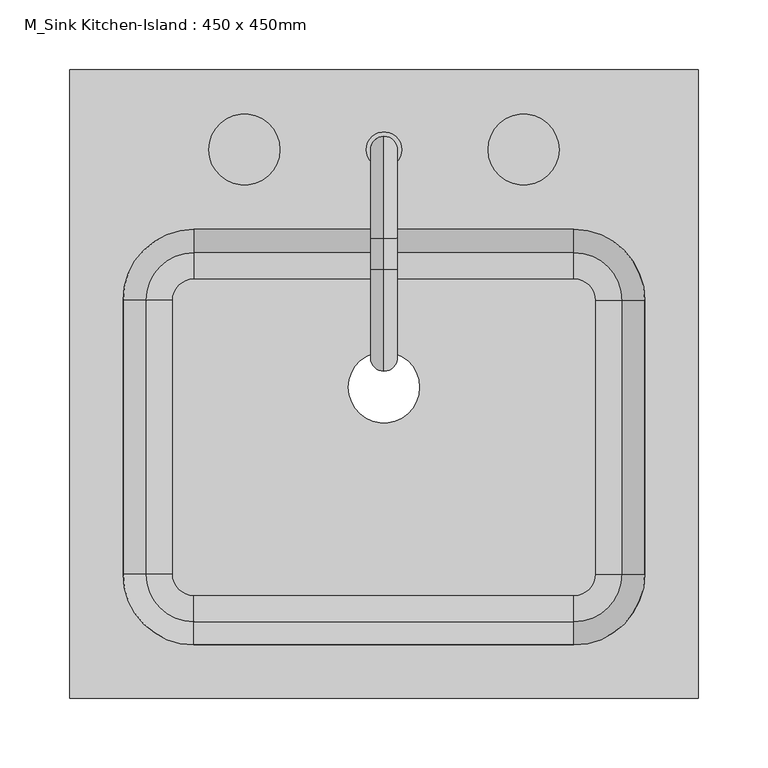
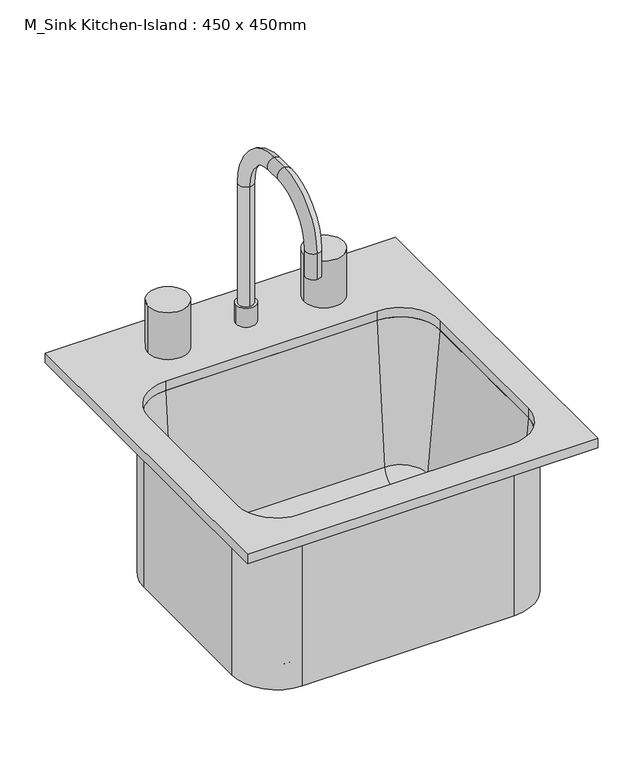
"""IFC4 building model written with IfcOpenShell, lengths in millimetres: flow terminal geometry, M_Sink Kitchen-Island : 450 x 450mm."""

from ifc_helpers import new_model, si_unit, point, frame, frame_2d, origin, place, context, project, spatial, polyline, circle_curve, ellipse_curve, trimmed, segment, composite_curve, outline, extrude, source, transform, mapped, element, save
from ifc_brep_helpers import plane_surface, cylinder_surface, revolved_surface, advanced_brep


def m_sink_kitchen_island_450_x_450mm_f969cf2d(model_context):
    return source(origin(), model_context, "Body", "SolidModel", [
        advanced_brep(
        [(208.9392406, 62.2454011, 684.1), (151.7892406, 119.3954011, 684.1), (151.7892406, 119.3954011, 900.0), (208.9392406, 62.2454011, 900.0), (208.9392406, -133.7545989, 684.1), (151.7892406, -190.9045989, 684.1), (-120.4107594, -190.9045989, 684.1), (-177.5607594, -133.7545989, 684.1), (-177.5607594, 62.2454011, 684.1), (-120.4107594, 119.3954011, 684.1), (-9.7107594, 0.0, 684.1), (41.0892406, 0.0, 684.1), (167.0776588, 62.2454011, 693.625), (151.7892406, 77.5338193, 693.625), (-120.4107594, 77.5338193, 693.625), (-135.6991776, 62.2454011, 693.625), (-135.6991776, -133.7545989, 693.625), (-120.4107594, -149.0430171, 693.625), (151.7892406, -149.0430171, 693.625), (167.0776588, -133.7545989, 693.625), (-9.7107594, 0.0, 693.625), (41.0892406, 0.0, 693.625), (186.0551678, 62.2454011, 711.0146831), (151.7892406, 96.5113283, 711.0146831), (202.5892406, 62.2454011, 900.0), (151.7892406, 113.0454011, 900.0), (208.9392406, -133.7545989, 900.0), (186.0551678, -133.7545989, 711.0146831), (202.5892406, -133.7545989, 900.0), (151.7892406, -190.9045989, 900.0), (151.7892406, -168.0205261, 711.0146831), (151.7892406, -184.5545989, 900.0), (-120.4107594, -190.9045989, 900.0), (-120.4107594, -168.0205261, 711.0146831), (-120.4107594, -184.5545989, 900.0), (-177.5607594, -133.7545989, 900.0), (-154.6766866, -133.7545989, 711.0146831), (-171.2107594, -133.7545989, 900.0), (-177.5607594, 62.2454011, 900.0), (-154.6766866, 62.2454011, 711.0146831), (-171.2107594, 62.2454011, 900.0), (-120.4107594, 119.3954011, 900.0), (-120.4107594, 96.5113283, 711.0146831), (-120.4107594, 113.0454011, 900.0)],
        [
            (0, 1, circle_curve(frame((151.7892406, 62.2454011, 684.1), z_axis=(0.0, 0.0, 1.0), x_axis=(0.0, 1.0, 0.0)), 57.15)),
            (1, 2),
            (2, 3, circle_curve(frame((151.7892406, 62.2454011, 900.0), z_axis=(0.0, 0.0, -1.0), x_axis=(0.0, 1.0, 0.0)), 57.15)),
            (3, 0),
            (0, 4),
            (4, 5, circle_curve(frame((151.7892406, -133.7545989, 684.1), z_axis=(0.0, 0.0, -1.0), x_axis=(1.0, 0.0, 0.0)), 57.15)),
            (5, 6),
            (6, 7, circle_curve(frame((-120.4107594, -133.7545989, 684.1), z_axis=(0.0, 0.0, -1.0), x_axis=(0.0, -1.0, 0.0)), 57.15)),
            (7, 8),
            (8, 9, circle_curve(frame((-120.4107594, 62.2454011, 684.1), z_axis=(0.0, 0.0, -1.0), x_axis=(-1.0, 0.0, 0.0)), 57.15)),
            (9, 1),
            (10, 11, circle_curve(frame((15.6892406, 0.0, 684.1), z_axis=(0.0, 0.0, 1.0), x_axis=(1.0, 0.0, 0.0)), 25.4)),
            (11, 10, circle_curve(frame((15.6892406, 0.0, 684.1), z_axis=(0.0, 0.0, 1.0), x_axis=(1.0, 0.0, 0.0)), 25.4)),
            (12, 13, circle_curve(frame((151.7892406, 62.2454011, 693.625), z_axis=(0.0, 0.0, 1.0), x_axis=(0.0, 1.0, 0.0)), 15.2884182)),
            (13, 14),
            (14, 15, circle_curve(frame((-120.4107594, 62.2454011, 693.625), z_axis=(0.0, 0.0, 1.0), x_axis=(-1.0, 0.0, 0.0)), 15.2884182)),
            (15, 16),
            (16, 17, circle_curve(frame((-120.4107594, -133.7545989, 693.625), z_axis=(0.0, 0.0, 1.0), x_axis=(0.0, -1.0, 0.0)), 15.2884182)),
            (17, 18),
            (18, 19, circle_curve(frame((151.7892406, -133.7545989, 693.625), z_axis=(0.0, 0.0, 1.0), x_axis=(1.0, 0.0, 0.0)), 15.2884182)),
            (19, 12),
            (20, 21, circle_curve(frame((15.6892406, 0.0, 693.625), z_axis=(0.0, 0.0, -1.0), x_axis=(1.0, 0.0, 0.0)), 25.4)),
            (21, 20, circle_curve(frame((15.6892406, 0.0, 693.625), z_axis=(0.0, 0.0, -1.0), x_axis=(1.0, 0.0, 0.0)), 25.4)),
            (12, 22, circle_curve(frame((167.0776588, 62.2454011, 712.675), z_axis=(0.0, -1.0, 0.0), x_axis=(1.0, 0.0, 0.0)), 19.05)),
            (22, 23, circle_curve(frame((151.7892406, 62.2454011, 711.0146831), z_axis=(0.0, 0.0, 1.0), x_axis=(0.0, 1.0, 0.0)), 34.2659272)),
            (23, 13, circle_curve(frame((151.7892406, 77.5338193, 712.675), z_axis=(-1.0, 0.0, 0.0), x_axis=(0.0, 1.0, 0.0)), 19.05)),
            (22, 24),
            (24, 25, circle_curve(frame((151.7892406, 62.2454011, 900.0), z_axis=(0.0, 0.0, 1.0), x_axis=(0.0, 1.0, 0.0)), 50.8)),
            (25, 23),
            (2, 25),
            (24, 3),
            (3, 26),
            (26, 4),
            (19, 27, circle_curve(frame((167.0776588, -133.7545989, 712.675), z_axis=(0.0, -1.0, 0.0), x_axis=(1.0, 0.0, 0.0)), 19.05)),
            (27, 22),
            (27, 28),
            (28, 24),
            (28, 26),
            (26, 29, circle_curve(frame((151.7892406, -133.7545989, 900.0), z_axis=(0.0, 0.0, -1.0), x_axis=(1.0, 0.0, 0.0)), 57.15)),
            (29, 5),
            (18, 30, circle_curve(frame((151.7892406, -149.0430171, 712.675), z_axis=(-1.0, 0.0, 0.0), x_axis=(0.0, -1.0, 0.0)), 19.05)),
            (30, 27, circle_curve(frame((151.7892406, -133.7545989, 711.0146831), z_axis=(0.0, 0.0, 1.0), x_axis=(1.0, 0.0, 0.0)), 34.2659272)),
            (30, 31),
            (31, 28, circle_curve(frame((151.7892406, -133.7545989, 900.0), z_axis=(0.0, 0.0, 1.0), x_axis=(1.0, 0.0, 0.0)), 50.8)),
            (31, 29),
            (29, 32),
            (32, 6),
            (17, 33, circle_curve(frame((-120.4107594, -149.0430171, 712.675), z_axis=(-1.0, 0.0, 0.0), x_axis=(0.0, -1.0, 0.0)), 19.05)),
            (33, 30),
            (33, 34),
            (34, 31),
            (34, 32),
            (32, 35, circle_curve(frame((-120.4107594, -133.7545989, 900.0), z_axis=(0.0, 0.0, -1.0), x_axis=(0.0, -1.0, 0.0)), 57.15)),
            (35, 7),
            (16, 36, circle_curve(frame((-135.6991776, -133.7545989, 712.675), z_axis=(0.0, 1.0, 0.0), x_axis=(-1.0, 0.0, 0.0)), 19.05)),
            (36, 33, circle_curve(frame((-120.4107594, -133.7545989, 711.0146831), z_axis=(0.0, 0.0, 1.0), x_axis=(0.0, -1.0, 0.0)), 34.2659272)),
            (36, 37),
            (37, 34, circle_curve(frame((-120.4107594, -133.7545989, 900.0), z_axis=(0.0, 0.0, 1.0), x_axis=(0.0, -1.0, 0.0)), 50.8)),
            (37, 35),
            (35, 38),
            (38, 8),
            (15, 39, circle_curve(frame((-135.6991776, 62.2454011, 712.675), z_axis=(0.0, 1.0, 0.0), x_axis=(-1.0, 0.0, 0.0)), 19.05)),
            (39, 36),
            (39, 40),
            (40, 37),
            (40, 38),
            (38, 41, circle_curve(frame((-120.4107594, 62.2454011, 900.0), z_axis=(0.0, 0.0, -1.0), x_axis=(-1.0, 0.0, 0.0)), 57.15)),
            (41, 9),
            (14, 42, circle_curve(frame((-120.4107594, 77.5338193, 712.675), z_axis=(1.0, 0.0, 0.0), x_axis=(0.0, 1.0, 0.0)), 19.05)),
            (42, 39, circle_curve(frame((-120.4107594, 62.2454011, 711.0146831), z_axis=(0.0, 0.0, 1.0), x_axis=(-1.0, 0.0, 0.0)), 34.2659272)),
            (42, 43),
            (43, 40, circle_curve(frame((-120.4107594, 62.2454011, 900.0), z_axis=(0.0, 0.0, 1.0), x_axis=(-1.0, 0.0, 0.0)), 50.8)),
            (43, 41),
            (41, 2),
            (23, 42),
            (25, 43),
            (20, 10),
            (11, 21),
        ],
        [
            cylinder_surface(frame((151.7892406, 62.2454011, 0.0), z_axis=(0.0, 0.0, -1.0), x_axis=(0.0, 1.0, 0.0)), 57.15),
            plane_surface(frame((151.7892406, 62.2454011, 684.1), z_axis=(0.0, 0.0, -1.0), x_axis=(0.0, 1.0, 0.0))),
            plane_surface(frame((151.7892406, 62.2454011, 693.625), z_axis=(0.0, 0.0, 1.0), x_axis=(0.0, 1.0, 0.0))),
            revolved_surface(trimmed(ellipse_curve(frame((151.7892406, 77.5338193, 712.675), z_axis=(1.0, 0.0, 0.0), x_axis=(0.0, 1.0, 0.0)), 19.05, 19.05), [point((151.7892406, 77.5338193, 693.625))], [point((151.7892406, 96.5113283, 711.0146831))], True, "CARTESIAN"), (151.7892406, 62.2454011, 0.0), (0.0, 0.0, -1.0)),
            revolved_surface(polyline([(151.7892406, 96.5113283, 711.0146831), (151.7892406, 113.0454011, 900.0)]), (151.7892406, 62.2454011, 0.0), (0.0, 0.0, -1.0)),
            plane_surface(frame((151.7892406, 62.2454011, 900.0), z_axis=(0.0, 0.0, 1.0), x_axis=(0.0, 1.0, 0.0))),
            plane_surface(frame((208.9392406, 62.2454011, 900.0), z_axis=(1.0, 0.0, 0.0), x_axis=(0.0, -1.0, 0.0))),
            revolved_surface(polyline([(186.1276588, -133.7545989, 712.675), (186.1276588, 62.2454011, 712.675)]), (167.0776588, 62.2454011, 712.675), (0.0, -1.0, 0.0)),
            plane_surface(frame((186.0551678, 62.2454011, 711.0146831), z_axis=(-0.9961946980917444, 0.0, 0.0871557427476718), x_axis=(0.0, -1.0, 0.0))),
            plane_surface(frame((202.5892406, 62.2454011, 900.0), z_axis=(0.0, 0.0, 1.0), x_axis=(0.0, -1.0, 0.0))),
            cylinder_surface(frame((151.7892406, -133.7545989, 0.0), z_axis=(0.0, 0.0, -1.0), x_axis=(1.0, 0.0, 0.0)), 57.15),
            revolved_surface(trimmed(ellipse_curve(frame((167.0776588, -133.7545989, 712.675), z_axis=(0.0, -1.0, 0.0), x_axis=(1.0, 0.0, 0.0)), 19.05, 19.05), [point((167.0776588, -133.7545989, 693.625))], [point((186.0551678, -133.7545989, 711.0146831))], True, "CARTESIAN"), (151.7892406, -133.7545989, 0.0), (0.0, 0.0, -1.0)),
            revolved_surface(polyline([(186.0551678, -133.7545989, 711.0146831), (202.5892406, -133.7545989, 900.0)]), (151.7892406, -133.7545989, 0.0), (0.0, 0.0, -1.0)),
            plane_surface(frame((151.7892406, -133.7545989, 900.0), z_axis=(0.0, 0.0, 1.0), x_axis=(1.0, 0.0, 0.0))),
            plane_surface(frame((151.7892406, -190.9045989, 900.0), z_axis=(0.0, -1.0, 0.0), x_axis=(-1.0, 0.0, 0.0))),
            revolved_surface(polyline([(-120.41075939999999, -168.0930171, 712.675), (151.7892406, -168.0930171, 712.675)]), (151.7892406, -149.0430171, 712.675), (-1.0, 0.0, 0.0)),
            plane_surface(frame((151.7892406, -168.0205261, 711.0146831), z_axis=(0.0, 0.9961946980917444, 0.0871557427476718), x_axis=(-1.0, 0.0, 0.0))),
            plane_surface(frame((151.7892406, -184.5545989, 900.0), z_axis=(0.0, 0.0, 1.0), x_axis=(-1.0, 0.0, 0.0))),
            cylinder_surface(frame((-120.4107594, -133.7545989, 0.0), z_axis=(0.0, 0.0, -1.0), x_axis=(0.0, -1.0, 0.0)), 57.15),
            revolved_surface(trimmed(ellipse_curve(frame((-120.4107594, -149.0430171, 712.675), z_axis=(-1.0, 0.0, 0.0), x_axis=(0.0, -1.0, 0.0)), 19.05, 19.05), [point((-120.4107594, -149.0430171, 693.625))], [point((-120.4107594, -168.0205261, 711.0146831))], True, "CARTESIAN"), (-120.4107594, -133.7545989, 0.0), (0.0, 0.0, -1.0)),
            revolved_surface(polyline([(-120.4107594, -168.0205261, 711.0146831), (-120.4107594, -184.5545989, 900.0)]), (-120.4107594, -133.7545989, 0.0), (0.0, 0.0, -1.0)),
            plane_surface(frame((-120.4107594, -133.7545989, 900.0), z_axis=(0.0, 0.0, 1.0), x_axis=(0.0, -1.0, 0.0))),
            plane_surface(frame((-177.5607594, -133.7545989, 900.0), z_axis=(-1.0, 0.0, 0.0), x_axis=(0.0, 1.0, 0.0))),
            revolved_surface(polyline([(-154.74917760000002, 62.24540110000001, 712.675), (-154.74917760000002, -133.7545989, 712.675)]), (-135.6991776, -133.7545989, 712.675), (0.0, 1.0, 0.0)),
            plane_surface(frame((-154.6766866, -133.7545989, 711.0146831), z_axis=(0.9961946980917444, 0.0, 0.0871557427476718), x_axis=(0.0, 1.0, 0.0))),
            plane_surface(frame((-171.2107594, -133.7545989, 900.0), z_axis=(0.0, 0.0, 1.0), x_axis=(0.0, 1.0, 0.0))),
            cylinder_surface(frame((-120.4107594, 62.2454011, 0.0), z_axis=(0.0, 0.0, -1.0), x_axis=(-1.0, 0.0, 0.0)), 57.15),
            revolved_surface(trimmed(ellipse_curve(frame((-135.6991776, 62.2454011, 712.675), z_axis=(0.0, 1.0, 0.0), x_axis=(-1.0, 0.0, 0.0)), 19.05, 19.05), [point((-135.6991776, 62.2454011, 693.625))], [point((-154.6766866, 62.2454011, 711.0146831))], True, "CARTESIAN"), (-120.4107594, 62.2454011, 0.0), (0.0, 0.0, -1.0)),
            revolved_surface(polyline([(-154.6766866, 62.2454011, 711.0146831), (-171.2107594, 62.2454011, 900.0)]), (-120.4107594, 62.2454011, 0.0), (0.0, 0.0, -1.0)),
            plane_surface(frame((-120.4107594, 62.2454011, 900.0), z_axis=(0.0, 0.0, 1.0), x_axis=(-1.0, 0.0, 0.0))),
            plane_surface(frame((-120.4107594, 119.3954011, 900.0), z_axis=(0.0, 1.0, 0.0), x_axis=(1.0, 0.0, 0.0))),
            revolved_surface(polyline([(151.78924059999997, 96.5838193, 712.675), (-120.4107594, 96.5838193, 712.675)]), (-120.4107594, 77.5338193, 712.675), (1.0, 0.0, 0.0)),
            plane_surface(frame((-120.4107594, 96.5113283, 711.0146831), z_axis=(0.0, -0.9961946980917444, 0.0871557427476718), x_axis=(1.0, 0.0, 0.0))),
            plane_surface(frame((-120.4107594, 113.0454011, 900.0), z_axis=(0.0, 0.0, 1.0), x_axis=(1.0, 0.0, 0.0))),
            revolved_surface(polyline([(41.0892406, 0.0, 684.1), (41.0892406, 0.0, 693.625)]), (15.6892406, 0.0, 0.0), (0.0, 0.0, -1.0)),
        ],
        [
            (0, [[1, 2, 3, 4]]),
            (1, [[-1, 5, 6, 7, 8, 9, 10, 11], [12, 13]]),
            (2, [[14, 15, 16, 17, 18, 19, 20, 21], [22, 23]]),
            (3, [[-14, 24, 25, 26]]),
            (4, [[-25, 27, 28, 29]]),
            (5, [[-3, 30, -28, 31]]),
            (6, [[-4, 32, 33, -5]]),
            (7, [[-24, -21, 34, 35]]),
            (8, [[-27, -35, 36, 37]]),
            (9, [[-31, -37, 38, -32]]),
            (10, [[-33, 39, 40, -6]]),
            (11, [[-34, -20, 41, 42]]),
            (12, [[-36, -42, 43, 44]]),
            (13, [[-38, -44, 45, -39]]),
            (14, [[-40, 46, 47, -7]]),
            (15, [[-41, -19, 48, 49]]),
            (16, [[-43, -49, 50, 51]]),
            (17, [[-45, -51, 52, -46]]),
            (18, [[-47, 53, 54, -8]]),
            (19, [[-48, -18, 55, 56]]),
            (20, [[-50, -56, 57, 58]]),
            (21, [[-52, -58, 59, -53]]),
            (22, [[-54, 60, 61, -9]]),
            (23, [[-55, -17, 62, 63]]),
            (24, [[-57, -63, 64, 65]]),
            (25, [[-59, -65, 66, -60]]),
            (26, [[-61, 67, 68, -10]]),
            (27, [[-62, -16, 69, 70]]),
            (28, [[-64, -70, 71, 72]]),
            (29, [[-66, -72, 73, -67]]),
            (30, [[-2, -11, -68, 74]]),
            (31, [[-26, 75, -69, -15]]),
            (32, [[-29, 76, -71, -75]]),
            (33, [[-30, -74, -73, -76]]),
            (34, [[-22, 77, -13, 78]]),
            (34, [[-23, -78, -12, -77]]),
        ],
    ),
        advanced_brep(
        [(2.9892406, 170.1954011, 912.7), (28.3892406, 170.1954011, 912.7), (15.6892406, 179.7204011, 1100.025), (15.6892406, 160.6704011, 1100.025), (15.6892406, 160.6704011, 938.1), (15.6892406, 179.7204011, 938.1), (15.6892406, 106.6954011, 1173.05), (15.6892406, 106.6954011, 1154.0), (15.6892406, 84.4704011, 1173.05), (15.6892406, 84.4704011, 1154.0), (15.6892406, 11.4454011, 1100.025), (15.6892406, 30.4954011, 1100.025), (15.6892406, 11.4454011, 1065.1), (15.6892406, 30.4954011, 1065.1), (2.9892406, 170.1954011, 938.1), (28.3892406, 170.1954011, 938.1)],
        [
            (0, 1, circle_curve(frame((15.6892406, 170.1954011, 912.7), z_axis=(0.0, 0.0, -1.0), x_axis=(1.0, 0.0, 0.0)), 12.7)),
            (1, 0, circle_curve(frame((15.6892406, 170.1954011, 912.7), z_axis=(0.0, 0.0, -1.0), x_axis=(1.0, 0.0, 0.0)), 12.7)),
            (2, 3, circle_curve(frame((15.6892406, 170.1954011, 1100.025), z_axis=(0.0, 0.0, -1.0), x_axis=(0.0, -1.0, 0.0)), 9.525)),
            (3, 4),
            (4, 5, circle_curve(frame((15.6892406, 170.1954011, 938.1), z_axis=(0.0, 0.0, 1.0), x_axis=(0.0, -1.0, 0.0)), 9.525)),
            (5, 2),
            (3, 2, circle_curve(frame((15.6892406, 170.1954011, 1100.025), z_axis=(0.0, 0.0, -1.0), x_axis=(0.0, -1.0, 0.0)), 9.525)),
            (5, 4, circle_curve(frame((15.6892406, 170.1954011, 938.1), z_axis=(0.0, 0.0, 1.0), x_axis=(0.0, -1.0, 0.0)), 9.525)),
            (2, 6, circle_curve(frame((15.6892406, 106.6954011, 1100.025), z_axis=(1.0, 0.0, 0.0), x_axis=(0.0, 1.0, 0.0)), 73.025)),
            (6, 7, circle_curve(frame((15.6892406, 106.6954011, 1163.525), z_axis=(0.0, 1.0, 0.0), x_axis=(0.0, 0.0, -1.0)), 9.525)),
            (7, 3, circle_curve(frame((15.6892406, 106.6954011, 1100.025), z_axis=(-1.0, 0.0, 0.0), x_axis=(0.0, 1.0, 0.0)), 53.975)),
            (7, 6, circle_curve(frame((15.6892406, 106.6954011, 1163.525), z_axis=(0.0, 1.0, 0.0), x_axis=(0.0, 0.0, -1.0)), 9.525)),
            (6, 8),
            (8, 9, circle_curve(frame((15.6892406, 84.4704011, 1163.525), z_axis=(0.0, 1.0, 0.0), x_axis=(0.0, 0.0, -1.0)), 9.525)),
            (9, 7),
            (9, 8, circle_curve(frame((15.6892406, 84.4704011, 1163.525), z_axis=(0.0, 1.0, 0.0), x_axis=(0.0, 0.0, -1.0)), 9.525)),
            (8, 10, circle_curve(frame((15.6892406, 84.4704011, 1100.025), z_axis=(1.0, 0.0, 0.0), x_axis=(0.0, 0.0, 1.0)), 73.025)),
            (10, 11, circle_curve(frame((15.6892406, 20.9704011, 1100.025), z_axis=(0.0, 0.0, 1.0), x_axis=(0.0, 1.0, 0.0)), 9.525)),
            (11, 9, circle_curve(frame((15.6892406, 84.4704011, 1100.025), z_axis=(-1.0, 0.0, 0.0), x_axis=(0.0, 0.0, 1.0)), 53.975)),
            (11, 10, circle_curve(frame((15.6892406, 20.9704011, 1100.025), z_axis=(0.0, 0.0, 1.0), x_axis=(0.0, 1.0, 0.0)), 9.525)),
            (12, 13, circle_curve(frame((15.6892406, 20.9704011, 1065.1), z_axis=(0.0, 0.0, -1.0), x_axis=(0.0, 1.0, 0.0)), 9.525)),
            (13, 12, circle_curve(frame((15.6892406, 20.9704011, 1065.1), z_axis=(0.0, 0.0, -1.0), x_axis=(0.0, 1.0, 0.0)), 9.525)),
            (10, 12),
            (13, 11),
            (14, 15, circle_curve(frame((15.6892406, 170.1954011, 938.1), z_axis=(0.0, 0.0, 1.0), x_axis=(1.0, 0.0, 0.0)), 12.7)),
            (15, 14, circle_curve(frame((15.6892406, 170.1954011, 938.1), z_axis=(0.0, 0.0, 1.0), x_axis=(1.0, 0.0, 0.0)), 12.7)),
            (14, 0),
            (1, 15),
        ],
        [
            plane_surface(frame((15.6892406, 160.6704011, 912.7), z_axis=(0.0, 0.0, -1.0), x_axis=(1.0, 0.0, 0.0))),
            cylinder_surface(frame((15.6892406, 170.1954011, 912.7), z_axis=(0.0, 0.0, -1.0), x_axis=(0.0, -1.0, 0.0)), 9.525),
            revolved_surface(trimmed(ellipse_curve(frame((15.6892406, 170.1954011, 1100.025), z_axis=(0.0, 0.0, -1.0), x_axis=(0.0, -1.0, 0.0)), 9.525, 9.525), [point((15.6892406, 179.7204011, 1100.025))], [point((15.6892406, 160.6704011, 1100.025))], True, "CARTESIAN"), (15.6892406, 106.6954011, 1100.025), (1.0, 0.0, 0.0)),
            revolved_surface(trimmed(ellipse_curve(frame((15.6892406, 170.1954011, 1100.025), z_axis=(0.0, 0.0, -1.0), x_axis=(0.0, -1.0, 0.0)), 9.525, 9.525), [point((15.6892406, 160.6704011, 1100.025))], [point((15.6892406, 179.7204011, 1100.025))], True, "CARTESIAN"), (15.6892406, 106.6954011, 1100.025), (1.0, 0.0, 0.0)),
            cylinder_surface(frame((15.6892406, 106.6954011, 1163.525), z_axis=(0.0, 1.0, 0.0), x_axis=(0.0, 0.0, -1.0)), 9.525),
            revolved_surface(trimmed(ellipse_curve(frame((15.6892406, 84.4704011, 1163.525), z_axis=(0.0, 1.0, 0.0), x_axis=(0.0, 0.0, -1.0)), 9.525, 9.525), [point((15.6892406, 84.4704011, 1173.05))], [point((15.6892406, 84.4704011, 1154.0))], True, "CARTESIAN"), (15.6892406, 84.4704011, 1100.025), (1.0, 0.0, 0.0)),
            revolved_surface(trimmed(ellipse_curve(frame((15.6892406, 84.4704011, 1163.525), z_axis=(0.0, 1.0, 0.0), x_axis=(0.0, 0.0, -1.0)), 9.525, 9.525), [point((15.6892406, 84.4704011, 1154.0))], [point((15.6892406, 84.4704011, 1173.05))], True, "CARTESIAN"), (15.6892406, 84.4704011, 1100.025), (1.0, 0.0, 0.0)),
            plane_surface(frame((15.6892406, 11.4454011, 1065.1), z_axis=(0.0, 0.0, -1.0), x_axis=(-1.0, 0.0, 0.0))),
            cylinder_surface(frame((15.6892406, 20.9704011, 1100.025), z_axis=(0.0, 0.0, 1.0), x_axis=(0.0, 1.0, 0.0)), 9.525),
            plane_surface(frame((28.3892406, 170.1954011, 938.1), z_axis=(0.0, 0.0, 1.0), x_axis=(0.0, 1.0, 0.0))),
            cylinder_surface(frame((15.6892406, 170.1954011, 912.7), z_axis=(0.0, 0.0, 1.0), x_axis=(1.0, 0.0, 0.0)), 12.7),
        ],
        [
            (0, [[1, 2]]),
            (1, [[3, 4, 5, 6]]),
            (1, [[7, -6, 8, -4]]),
            (2, [[-3, 9, 10, 11]]),
            (3, [[-7, -11, 12, -9]]),
            (4, [[-10, 13, 14, 15]]),
            (4, [[-12, -15, 16, -13]]),
            (5, [[-14, 17, 18, 19]]),
            (6, [[-16, -19, 20, -17]]),
            (7, [[21, 22]]),
            (8, [[-18, 23, -22, 24]]),
            (8, [[-20, -24, -21, -23]]),
            (9, [[25, 26], [-5, -8]]),
            (10, [[-25, 27, -2, 28]]),
            (10, [[-26, -28, -1, -27]]),
        ],
    ),
        extrude(outline(composite_curve([segment(trimmed(circle_curve(frame_2d((-84.3107594, 170.1954011)), 25.4), [point((-109.7107594, 170.1954011))], [point((-58.9107594, 170.1954011))], False, "CARTESIAN"), True, "CONTINUOUS"), segment(trimmed(circle_curve(frame_2d((-84.3107594, 170.1954011)), 25.4), [point((-58.9107594, 170.1954011))], [point((-109.7107594, 170.1954011))], False, "CARTESIAN"), True, "CONTINUOUS")], self_intersect=False)), frame((0.0, 0.0, 912.7), z_axis=(0.0, 0.0, 1.0), x_axis=(1.0, 0.0, 0.0)), (0.0, 0.0, 1.0), 63.5),
        extrude(outline(composite_curve([segment(trimmed(circle_curve(frame_2d((115.6892406, 170.1954011)), 25.4), [point((90.2892406, 170.1954011))], [point((141.0892406, 170.1954011))], False, "CARTESIAN"), True, "CONTINUOUS"), segment(trimmed(circle_curve(frame_2d((115.6892406, 170.1954011)), 25.4), [point((141.0892406, 170.1954011))], [point((90.2892406, 170.1954011))], False, "CARTESIAN"), True, "CONTINUOUS")], self_intersect=False)), frame((0.0, 0.0, 912.7), z_axis=(0.0, 0.0, 1.0), x_axis=(1.0, 0.0, 0.0)), (0.0, 0.0, 1.0), 63.5),
        extrude(outline(polyline([(240.6892406, 227.3454011), (240.6892406, -222.6545989), (-209.3107594, -222.6545989), (-209.3107594, 227.3454011), (240.6892406, 227.3454011)]), holes=[composite_curve([segment(polyline([(151.7892406, 113.0454011), (-120.4107594, 113.0454011)]), True, "CONTINUOUS"), segment(trimmed(circle_curve(frame_2d((-120.4107594, 62.2454011)), 50.8), [point((-120.4107594, 113.0454011))], [point((-171.2107594, 62.2454011))], True, "CARTESIAN"), True, "CONTINUOUS"), segment(polyline([(-171.2107594, 62.2454011), (-171.2107594, -133.7545989)]), True, "CONTINUOUS"), segment(trimmed(circle_curve(frame_2d((-120.4107594, -133.7545989)), 50.8), [point((-171.2107594, -133.7545989))], [point((-120.4107594, -184.5545989))], True, "CARTESIAN"), True, "CONTINUOUS"), segment(polyline([(-120.4107594, -184.5545989), (151.7892406, -184.5545989)]), True, "CONTINUOUS"), segment(trimmed(circle_curve(frame_2d((151.7892406, -133.7545989)), 50.8), [point((151.7892406, -184.5545989))], [point((202.5892406, -133.7545989))], True, "CARTESIAN"), True, "CONTINUOUS"), segment(polyline([(202.5892406, -133.7545989), (202.5892406, 62.2454011)]), True, "CONTINUOUS"), segment(trimmed(circle_curve(frame_2d((151.7892406, 62.2454011)), 50.8), [point((202.5892406, 62.2454011))], [point((151.7892406, 113.0454011))], True, "CARTESIAN"), True, "CONTINUOUS")], self_intersect=False)]), frame((0.0, 0.0, 900.0), z_axis=(0.0, 0.0, 1.0), x_axis=(1.0, 0.0, 0.0)), (0.0, 0.0, 1.0), 12.7),
    ])


if __name__ == "__main__":
    model = new_model("IFC4")
    model_context = context("Model", 3, world=origin())
    ifc_project = project(units=[si_unit("LENGTHUNIT", "METRE", prefix="MILLI")], contexts=[model_context])
    site = spatial("IfcSite", under=ifc_project)
    building = spatial("IfcBuilding", under=site)
    placement = place(None, origin())
    m_sink_kitchen_island_450_x_450mm_shape = m_sink_kitchen_island_450_x_450mm_f969cf2d(model_context)
    element("IfcFlowTerminal", 1, ObjectType="M_Sink Kitchen-Island : 450 x 450mm", at=placement, inside=building, context=model_context, shape_type="MappedRepresentation", body=[
        mapped(m_sink_kitchen_island_450_x_450mm_shape, transform((0.0, 0.0, 0.0), x_axis=(1.0, 0.0, 0.0), y_axis=(0.0, 1.0, 0.0), z_axis=(0.0, 0.0, 1.0))),
    ])
    save(model, "model.ifc")
